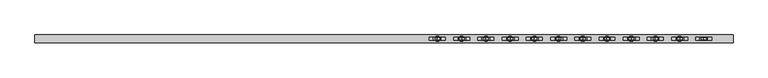
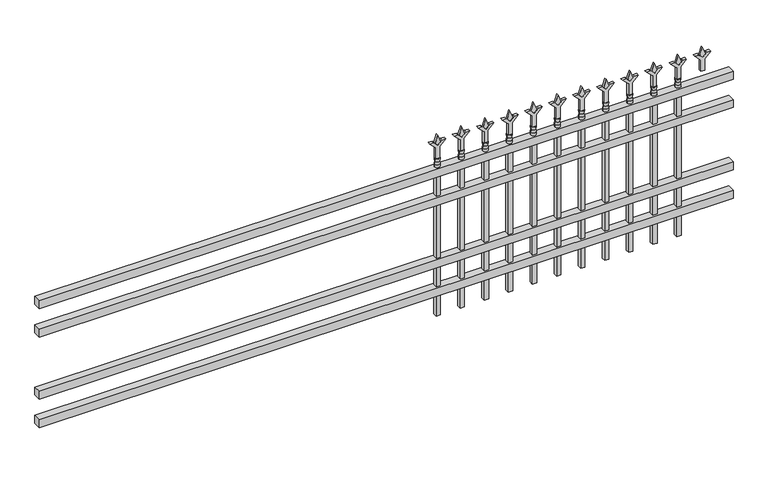
"""IFC4 building model written with IfcOpenShell, lengths in millimetres: railing geometry."""

from ifc_helpers import new_model, si_unit, frame, origin, place, context, project, spatial, polyline, circle_curve, outline, extrude, source, transform, mapped, element, save
from ifc_brep_helpers import plane_surface, cylinder_surface, revolved_surface, advanced_brep


def railing_9d2b773c(model_context):
    return source(origin(), model_context, "Body", "SolidModel", [
        extrude(outline(polyline([(-91799.918087, -9187.1195174), (-91799.918087, -9152.1945174), (-88650.318087, -9152.1945174), (-88650.318087, -9187.1195174), (-91799.918087, -9187.1195174)])), frame((0.0, 0.0, 723.9), z_axis=(0.0, 0.0, 1.0), x_axis=(1.0, 0.0, 0.0)), (0.0, 0.0, 1.0), 38.1),
        extrude(outline(polyline([(-91799.918087, -9187.1195174), (-91799.918087, -9152.1945174), (-88650.318087, -9152.1945174), (-88650.318087, -9187.1195174), (-91799.918087, -9187.1195174)])), frame((0.0, 0.0, 587.375), z_axis=(0.0, 0.0, 1.0), x_axis=(1.0, 0.0, 0.0)), (0.0, 0.0, 1.0), 38.1),
        extrude(outline(polyline([(-91799.918087, -9187.1195174), (-91799.918087, -9152.1945174), (-88650.318087, -9152.1945174), (-88650.318087, -9187.1195174), (-91799.918087, -9187.1195174)])), frame((0.0, 0.0, 288.925), z_axis=(0.0, 0.0, 1.0), x_axis=(1.0, 0.0, 0.0)), (0.0, 0.0, 1.0), 38.1),
        extrude(outline(polyline([(-91799.918087, -9187.1195174), (-91799.918087, -9152.1945174), (-88650.318087, -9152.1945174), (-88650.318087, -9187.1195174), (-91799.918087, -9187.1195174)])), frame((0.0, 0.0, 152.4), z_axis=(0.0, 0.0, 1.0), x_axis=(1.0, 0.0, 0.0)), (0.0, 0.0, 1.0), 38.1),
        extrude(outline(polyline([(878.68125, -88879.4472536), (914.4, -88891.3535036), (878.68125, -88903.2597536), (866.775, -88891.3535036), (878.68125, -88879.4472536)])), frame((0.0, -9174.4195174, 0.0), z_axis=(0.0, 1.0, 0.0), x_axis=(0.0, 0.0, 1.0)), (0.0, 0.0, 1.0), 9.525),
        extrude(outline(polyline([(803.275, -88882.6222536), (857.5457378, -88882.6222536), (884.7355122, -88855.4324791), (884.7355122, -88873.3929914), (866.775, -88891.3535036), (884.7355122, -88909.3140159), (884.7355122, -88927.2745281), (857.5457378, -88900.0847536), (803.275, -88900.0847536), (803.275, -88882.6222536)])), frame((0.0, -9176.0070174, 0.0), z_axis=(0.0, 1.0, 0.0), x_axis=(0.0, 0.0, 1.0)), (0.0, 0.0, 1.0), 12.7),
        advanced_brep(
        [(-88879.4472536, -9169.6570174, 774.7), (-88903.2597536, -9169.6570174, 774.7), (-88903.2597536, -9169.6570174, 762.0), (-88879.4472536, -9169.6570174, 762.0), (-88881.6525855, -9169.6570174, 787.2070585), (-88901.0544218, -9169.6570174, 787.2070585), (-88879.4472536, -9169.6570174, 803.275), (-88903.2597536, -9169.6570174, 803.275), (-88891.3535036, -9169.6570174, 803.275), (-88891.3535036, -9169.6570174, 762.0)],
        [
            (0, 1, circle_curve(frame((-88891.3535036, -9169.6570174, 774.7), z_axis=(0.0, 0.0, -1.0), x_axis=(-1.0, 0.0, 0.0)), 11.90625)),
            (1, 2),
            (2, 3, circle_curve(frame((-88891.3535036, -9169.6570174, 762.0), z_axis=(0.0, 0.0, 1.0), x_axis=(-1.0, 0.0, 0.0)), 11.90625)),
            (3, 0),
            (1, 0, circle_curve(frame((-88891.3535036, -9169.6570174, 774.7), z_axis=(0.0, 0.0, -1.0), x_axis=(-1.0, 0.0, 0.0)), 11.90625)),
            (3, 2, circle_curve(frame((-88891.3535036, -9169.6570174, 762.0), z_axis=(0.0, 0.0, 1.0), x_axis=(-1.0, 0.0, 0.0)), 11.90625)),
            (4, 5, circle_curve(frame((-88891.3535036, -9169.6570174, 787.2070585), z_axis=(0.0, 0.0, -1.0), x_axis=(-1.0, 0.0, 0.0)), 9.7009181)),
            (5, 1),
            (0, 4),
            (5, 4, circle_curve(frame((-88891.3535036, -9169.6570174, 787.2070585), z_axis=(0.0, 0.0, -1.0), x_axis=(-1.0, 0.0, 0.0)), 9.7009181)),
            (6, 7, circle_curve(frame((-88891.3535036, -9169.6570174, 803.275), z_axis=(0.0, 0.0, -1.0), x_axis=(-1.0, 0.0, 0.0)), 11.90625)),
            (7, 5),
            (4, 6),
            (7, 6, circle_curve(frame((-88891.3535036, -9169.6570174, 803.275), z_axis=(0.0, 0.0, -1.0), x_axis=(-1.0, 0.0, 0.0)), 11.90625)),
            (8, 7),
            (6, 8),
            (2, 9),
            (9, 3),
        ],
        [
            cylinder_surface(frame((-88891.3535036, -9169.6570174, 762.0), z_axis=(0.0, 0.0, 1.0), x_axis=(-1.0, 0.0, 0.0)), 11.90625),
            revolved_surface(polyline([(-88903.2597536, -9169.6570174, 774.7), (-88901.0544218, -9169.6570174, 787.2070585)]), (-88891.3535036, -9169.6570174, 762.0), (0.0, 0.0, 1.0)),
            revolved_surface(polyline([(-88901.0544218, -9169.6570174, 787.2070585), (-88903.2597536, -9169.6570174, 803.275)]), (-88891.3535036, -9169.6570174, 762.0), (0.0, 0.0, 1.0)),
            plane_surface(frame((-88891.3535036, -9169.6570174, 803.275), z_axis=(0.0, 0.0, 1.0), x_axis=(-1.0, 0.0, 0.0))),
            plane_surface(frame((-88891.3535036, -9169.6570174, 762.0), z_axis=(0.0, 0.0, -1.0), x_axis=(-1.0, 0.0, 0.0))),
        ],
        [
            (0, [[1, 2, 3, 4]]),
            (0, [[5, -4, 6, -2]]),
            (1, [[7, 8, -1, 9]]),
            (1, [[10, -9, -5, -8]]),
            (2, [[11, 12, -7, 13]]),
            (2, [[14, -13, -10, -12]]),
            (3, [[15, -11, 16]]),
            (3, [[-16, -14, -15]]),
            (4, [[-3, 17, 18]]),
            (4, [[-6, -18, -17]]),
        ],
    ),
        extrude(outline(polyline([(-88900.8785036, -9160.1320174), (-88881.8285036, -9160.1320174), (-88881.8285036, -9179.1820174), (-88900.8785036, -9179.1820174), (-88900.8785036, -9160.1320174)])), frame((0.0, 0.0, 50.8), z_axis=(0.0, 0.0, 1.0), x_axis=(1.0, 0.0, 0.0)), (0.0, 0.0, 1.0), 711.2),
        extrude(outline(polyline([(878.68125, -88988.7201703), (914.4, -89000.6264203), (878.68125, -89012.5326703), (866.775, -89000.6264203), (878.68125, -88988.7201703)])), frame((0.0, -9174.4195174, 0.0), z_axis=(0.0, 1.0, 0.0), x_axis=(0.0, 0.0, 1.0)), (0.0, 0.0, 1.0), 9.525),
        extrude(outline(polyline([(803.275, -88991.8951703), (857.5457378, -88991.8951703), (884.7355122, -88964.7053958), (884.7355122, -88982.6659081), (866.775, -89000.6264203), (884.7355122, -89018.5869325), (884.7355122, -89036.5474448), (857.5457378, -89009.3576703), (803.275, -89009.3576703), (803.275, -88991.8951703)])), frame((0.0, -9176.0070174, 0.0), z_axis=(0.0, 1.0, 0.0), x_axis=(0.0, 0.0, 1.0)), (0.0, 0.0, 1.0), 12.7),
        advanced_brep(
        [(-88988.7201703, -9169.6570174, 774.7), (-89012.5326703, -9169.6570174, 774.7), (-89012.5326703, -9169.6570174, 762.0), (-88988.7201703, -9169.6570174, 762.0), (-88990.9255022, -9169.6570174, 787.2070585), (-89010.3273384, -9169.6570174, 787.2070585), (-88988.7201703, -9169.6570174, 803.275), (-89012.5326703, -9169.6570174, 803.275), (-89000.6264203, -9169.6570174, 803.275), (-89000.6264203, -9169.6570174, 762.0)],
        [
            (0, 1, circle_curve(frame((-89000.6264203, -9169.6570174, 774.7), z_axis=(0.0, 0.0, -1.0), x_axis=(-1.0, 0.0, 0.0)), 11.90625)),
            (1, 2),
            (2, 3, circle_curve(frame((-89000.6264203, -9169.6570174, 762.0), z_axis=(0.0, 0.0, 1.0), x_axis=(-1.0, 0.0, 0.0)), 11.90625)),
            (3, 0),
            (1, 0, circle_curve(frame((-89000.6264203, -9169.6570174, 774.7), z_axis=(0.0, 0.0, -1.0), x_axis=(-1.0, 0.0, 0.0)), 11.90625)),
            (3, 2, circle_curve(frame((-89000.6264203, -9169.6570174, 762.0), z_axis=(0.0, 0.0, 1.0), x_axis=(-1.0, 0.0, 0.0)), 11.90625)),
            (4, 5, circle_curve(frame((-89000.6264203, -9169.6570174, 787.2070585), z_axis=(0.0, 0.0, -1.0), x_axis=(-1.0, 0.0, 0.0)), 9.7009181)),
            (5, 1),
            (0, 4),
            (5, 4, circle_curve(frame((-89000.6264203, -9169.6570174, 787.2070585), z_axis=(0.0, 0.0, -1.0), x_axis=(-1.0, 0.0, 0.0)), 9.7009181)),
            (6, 7, circle_curve(frame((-89000.6264203, -9169.6570174, 803.275), z_axis=(0.0, 0.0, -1.0), x_axis=(-1.0, 0.0, 0.0)), 11.90625)),
            (7, 5),
            (4, 6),
            (7, 6, circle_curve(frame((-89000.6264203, -9169.6570174, 803.275), z_axis=(0.0, 0.0, -1.0), x_axis=(-1.0, 0.0, 0.0)), 11.90625)),
            (8, 7),
            (6, 8),
            (2, 9),
            (9, 3),
        ],
        [
            cylinder_surface(frame((-89000.6264203, -9169.6570174, 762.0), z_axis=(0.0, 0.0, 1.0), x_axis=(-1.0, 0.0, 0.0)), 11.90625),
            revolved_surface(polyline([(-89012.5326703, -9169.6570174, 774.7), (-89010.3273384, -9169.6570174, 787.2070585)]), (-89000.6264203, -9169.6570174, 762.0), (0.0, 0.0, 1.0)),
            revolved_surface(polyline([(-89010.3273384, -9169.6570174, 787.2070585), (-89012.5326703, -9169.6570174, 803.275)]), (-89000.6264203, -9169.6570174, 762.0), (0.0, 0.0, 1.0)),
            plane_surface(frame((-89000.6264203, -9169.6570174, 803.275), z_axis=(0.0, 0.0, 1.0), x_axis=(-1.0, 0.0, 0.0))),
            plane_surface(frame((-89000.6264203, -9169.6570174, 762.0), z_axis=(0.0, 0.0, -1.0), x_axis=(-1.0, 0.0, 0.0))),
        ],
        [
            (0, [[1, 2, 3, 4]]),
            (0, [[5, -4, 6, -2]]),
            (1, [[7, 8, -1, 9]]),
            (1, [[10, -9, -5, -8]]),
            (2, [[11, 12, -7, 13]]),
            (2, [[14, -13, -10, -12]]),
            (3, [[15, -11, 16]]),
            (3, [[-16, -14, -15]]),
            (4, [[-3, 17, 18]]),
            (4, [[-6, -18, -17]]),
        ],
    ),
        extrude(outline(polyline([(-89010.1514203, -9160.1320174), (-88991.1014203, -9160.1320174), (-88991.1014203, -9179.1820174), (-89010.1514203, -9179.1820174), (-89010.1514203, -9160.1320174)])), frame((0.0, 0.0, 50.8), z_axis=(0.0, 0.0, 1.0), x_axis=(1.0, 0.0, 0.0)), (0.0, 0.0, 1.0), 711.2),
        extrude(outline(polyline([(878.68125, -89097.993087), (914.4, -89109.899337), (878.68125, -89121.805587), (866.775, -89109.899337), (878.68125, -89097.993087)])), frame((0.0, -9174.4195174, 0.0), z_axis=(0.0, 1.0, 0.0), x_axis=(0.0, 0.0, 1.0)), (0.0, 0.0, 1.0), 9.525),
        extrude(outline(polyline([(803.275, -89101.168087), (857.5457378, -89101.168087), (884.7355122, -89073.9783125), (884.7355122, -89091.9388247), (866.775, -89109.899337), (884.7355122, -89127.8598492), (884.7355122, -89145.8203614), (857.5457378, -89118.630587), (803.275, -89118.630587), (803.275, -89101.168087)])), frame((0.0, -9176.0070174, 0.0), z_axis=(0.0, 1.0, 0.0), x_axis=(0.0, 0.0, 1.0)), (0.0, 0.0, 1.0), 12.7),
        advanced_brep(
        [(-89097.993087, -9169.6570174, 774.7), (-89121.805587, -9169.6570174, 774.7), (-89121.805587, -9169.6570174, 762.0), (-89097.993087, -9169.6570174, 762.0), (-89100.1984188, -9169.6570174, 787.2070585), (-89119.6002551, -9169.6570174, 787.2070585), (-89097.993087, -9169.6570174, 803.275), (-89121.805587, -9169.6570174, 803.275), (-89109.899337, -9169.6570174, 803.275), (-89109.899337, -9169.6570174, 762.0)],
        [
            (0, 1, circle_curve(frame((-89109.899337, -9169.6570174, 774.7), z_axis=(0.0, 0.0, -1.0), x_axis=(-1.0, 0.0, 0.0)), 11.90625)),
            (1, 2),
            (2, 3, circle_curve(frame((-89109.899337, -9169.6570174, 762.0), z_axis=(0.0, 0.0, 1.0), x_axis=(-1.0, 0.0, 0.0)), 11.90625)),
            (3, 0),
            (1, 0, circle_curve(frame((-89109.899337, -9169.6570174, 774.7), z_axis=(0.0, 0.0, -1.0), x_axis=(-1.0, 0.0, 0.0)), 11.90625)),
            (3, 2, circle_curve(frame((-89109.899337, -9169.6570174, 762.0), z_axis=(0.0, 0.0, 1.0), x_axis=(-1.0, 0.0, 0.0)), 11.90625)),
            (4, 5, circle_curve(frame((-89109.899337, -9169.6570174, 787.2070585), z_axis=(0.0, 0.0, -1.0), x_axis=(-1.0, 0.0, 0.0)), 9.7009181)),
            (5, 1),
            (0, 4),
            (5, 4, circle_curve(frame((-89109.899337, -9169.6570174, 787.2070585), z_axis=(0.0, 0.0, -1.0), x_axis=(-1.0, 0.0, 0.0)), 9.7009181)),
            (6, 7, circle_curve(frame((-89109.899337, -9169.6570174, 803.275), z_axis=(0.0, 0.0, -1.0), x_axis=(-1.0, 0.0, 0.0)), 11.90625)),
            (7, 5),
            (4, 6),
            (7, 6, circle_curve(frame((-89109.899337, -9169.6570174, 803.275), z_axis=(0.0, 0.0, -1.0), x_axis=(-1.0, 0.0, 0.0)), 11.90625)),
            (8, 7),
            (6, 8),
            (2, 9),
            (9, 3),
        ],
        [
            cylinder_surface(frame((-89109.899337, -9169.6570174, 762.0), z_axis=(0.0, 0.0, 1.0), x_axis=(-1.0, 0.0, 0.0)), 11.90625),
            revolved_surface(polyline([(-89121.805587, -9169.6570174, 774.7), (-89119.6002551, -9169.6570174, 787.2070585)]), (-89109.899337, -9169.6570174, 762.0), (0.0, 0.0, 1.0)),
            revolved_surface(polyline([(-89119.6002551, -9169.6570174, 787.2070585), (-89121.805587, -9169.6570174, 803.275)]), (-89109.899337, -9169.6570174, 762.0), (0.0, 0.0, 1.0)),
            plane_surface(frame((-89109.899337, -9169.6570174, 803.275), z_axis=(0.0, 0.0, 1.0), x_axis=(-1.0, 0.0, 0.0))),
            plane_surface(frame((-89109.899337, -9169.6570174, 762.0), z_axis=(0.0, 0.0, -1.0), x_axis=(-1.0, 0.0, 0.0))),
        ],
        [
            (0, [[1, 2, 3, 4]]),
            (0, [[5, -4, 6, -2]]),
            (1, [[7, 8, -1, 9]]),
            (1, [[10, -9, -5, -8]]),
            (2, [[11, 12, -7, 13]]),
            (2, [[14, -13, -10, -12]]),
            (3, [[15, -11, 16]]),
            (3, [[-16, -14, -15]]),
            (4, [[-3, 17, 18]]),
            (4, [[-6, -18, -17]]),
        ],
    ),
        extrude(outline(polyline([(-89119.424337, -9160.1320174), (-89100.374337, -9160.1320174), (-89100.374337, -9179.1820174), (-89119.424337, -9179.1820174), (-89119.424337, -9160.1320174)])), frame((0.0, 0.0, 50.8), z_axis=(0.0, 0.0, 1.0), x_axis=(1.0, 0.0, 0.0)), (0.0, 0.0, 1.0), 711.2),
        extrude(outline(polyline([(878.68125, -89207.2660036), (914.4, -89219.1722536), (878.68125, -89231.0785036), (866.775, -89219.1722536), (878.68125, -89207.2660036)])), frame((0.0, -9174.4195174, 0.0), z_axis=(0.0, 1.0, 0.0), x_axis=(0.0, 0.0, 1.0)), (0.0, 0.0, 1.0), 9.525),
        extrude(outline(polyline([(803.275, -89210.4410036), (857.5457378, -89210.4410036), (884.7355122, -89183.2512291), (884.7355122, -89201.2117414), (866.775, -89219.1722536), (884.7355122, -89237.1327659), (884.7355122, -89255.0932781), (857.5457378, -89227.9035036), (803.275, -89227.9035036), (803.275, -89210.4410036)])), frame((0.0, -9176.0070174, 0.0), z_axis=(0.0, 1.0, 0.0), x_axis=(0.0, 0.0, 1.0)), (0.0, 0.0, 1.0), 12.7),
        advanced_brep(
        [(-89207.2660036, -9169.6570174, 774.7), (-89231.0785036, -9169.6570174, 774.7), (-89231.0785036, -9169.6570174, 762.0), (-89207.2660036, -9169.6570174, 762.0), (-89209.4713355, -9169.6570174, 787.2070585), (-89228.8731718, -9169.6570174, 787.2070585), (-89207.2660036, -9169.6570174, 803.275), (-89231.0785036, -9169.6570174, 803.275), (-89219.1722536, -9169.6570174, 803.275), (-89219.1722536, -9169.6570174, 762.0)],
        [
            (0, 1, circle_curve(frame((-89219.1722536, -9169.6570174, 774.7), z_axis=(0.0, 0.0, -1.0), x_axis=(-1.0, 0.0, 0.0)), 11.90625)),
            (1, 2),
            (2, 3, circle_curve(frame((-89219.1722536, -9169.6570174, 762.0), z_axis=(0.0, 0.0, 1.0), x_axis=(-1.0, 0.0, 0.0)), 11.90625)),
            (3, 0),
            (1, 0, circle_curve(frame((-89219.1722536, -9169.6570174, 774.7), z_axis=(0.0, 0.0, -1.0), x_axis=(-1.0, 0.0, 0.0)), 11.90625)),
            (3, 2, circle_curve(frame((-89219.1722536, -9169.6570174, 762.0), z_axis=(0.0, 0.0, 1.0), x_axis=(-1.0, 0.0, 0.0)), 11.90625)),
            (4, 5, circle_curve(frame((-89219.1722536, -9169.6570174, 787.2070585), z_axis=(0.0, 0.0, -1.0), x_axis=(-1.0, 0.0, 0.0)), 9.7009181)),
            (5, 1),
            (0, 4),
            (5, 4, circle_curve(frame((-89219.1722536, -9169.6570174, 787.2070585), z_axis=(0.0, 0.0, -1.0), x_axis=(-1.0, 0.0, 0.0)), 9.7009181)),
            (6, 7, circle_curve(frame((-89219.1722536, -9169.6570174, 803.275), z_axis=(0.0, 0.0, -1.0), x_axis=(-1.0, 0.0, 0.0)), 11.90625)),
            (7, 5),
            (4, 6),
            (7, 6, circle_curve(frame((-89219.1722536, -9169.6570174, 803.275), z_axis=(0.0, 0.0, -1.0), x_axis=(-1.0, 0.0, 0.0)), 11.90625)),
            (8, 7),
            (6, 8),
            (2, 9),
            (9, 3),
        ],
        [
            cylinder_surface(frame((-89219.1722536, -9169.6570174, 762.0), z_axis=(0.0, 0.0, 1.0), x_axis=(-1.0, 0.0, 0.0)), 11.90625),
            revolved_surface(polyline([(-89231.0785036, -9169.6570174, 774.7), (-89228.8731718, -9169.6570174, 787.2070585)]), (-89219.1722536, -9169.6570174, 762.0), (0.0, 0.0, 1.0)),
            revolved_surface(polyline([(-89228.8731718, -9169.6570174, 787.2070585), (-89231.0785036, -9169.6570174, 803.275)]), (-89219.1722536, -9169.6570174, 762.0), (0.0, 0.0, 1.0)),
            plane_surface(frame((-89219.1722536, -9169.6570174, 803.275), z_axis=(0.0, 0.0, 1.0), x_axis=(-1.0, 0.0, 0.0))),
            plane_surface(frame((-89219.1722536, -9169.6570174, 762.0), z_axis=(0.0, 0.0, -1.0), x_axis=(-1.0, 0.0, 0.0))),
        ],
        [
            (0, [[1, 2, 3, 4]]),
            (0, [[5, -4, 6, -2]]),
            (1, [[7, 8, -1, 9]]),
            (1, [[10, -9, -5, -8]]),
            (2, [[11, 12, -7, 13]]),
            (2, [[14, -13, -10, -12]]),
            (3, [[15, -11, 16]]),
            (3, [[-16, -14, -15]]),
            (4, [[-3, 17, 18]]),
            (4, [[-6, -18, -17]]),
        ],
    ),
        extrude(outline(polyline([(-89228.6972536, -9160.1320174), (-89209.6472536, -9160.1320174), (-89209.6472536, -9179.1820174), (-89228.6972536, -9179.1820174), (-89228.6972536, -9160.1320174)])), frame((0.0, 0.0, 50.8), z_axis=(0.0, 0.0, 1.0), x_axis=(1.0, 0.0, 0.0)), (0.0, 0.0, 1.0), 711.2),
        extrude(outline(polyline([(878.68125, -89316.5389203), (914.4, -89328.4451703), (878.68125, -89340.3514203), (866.775, -89328.4451703), (878.68125, -89316.5389203)])), frame((0.0, -9174.4195174, 0.0), z_axis=(0.0, 1.0, 0.0), x_axis=(0.0, 0.0, 1.0)), (0.0, 0.0, 1.0), 9.525),
        extrude(outline(polyline([(803.275, -89319.7139203), (857.5457378, -89319.7139203), (884.7355122, -89292.5241458), (884.7355122, -89310.4846581), (866.775, -89328.4451703), (884.7355122, -89346.4056825), (884.7355122, -89364.3661948), (857.5457378, -89337.1764203), (803.275, -89337.1764203), (803.275, -89319.7139203)])), frame((0.0, -9176.0070174, 0.0), z_axis=(0.0, 1.0, 0.0), x_axis=(0.0, 0.0, 1.0)), (0.0, 0.0, 1.0), 12.7),
        advanced_brep(
        [(-89316.5389203, -9169.6570174, 774.7), (-89340.3514203, -9169.6570174, 774.7), (-89340.3514203, -9169.6570174, 762.0), (-89316.5389203, -9169.6570174, 762.0), (-89318.7442522, -9169.6570174, 787.2070585), (-89338.1460884, -9169.6570174, 787.2070585), (-89316.5389203, -9169.6570174, 803.275), (-89340.3514203, -9169.6570174, 803.275), (-89328.4451703, -9169.6570174, 803.275), (-89328.4451703, -9169.6570174, 762.0)],
        [
            (0, 1, circle_curve(frame((-89328.4451703, -9169.6570174, 774.7), z_axis=(0.0, 0.0, -1.0), x_axis=(-1.0, 0.0, 0.0)), 11.90625)),
            (1, 2),
            (2, 3, circle_curve(frame((-89328.4451703, -9169.6570174, 762.0), z_axis=(0.0, 0.0, 1.0), x_axis=(-1.0, 0.0, 0.0)), 11.90625)),
            (3, 0),
            (1, 0, circle_curve(frame((-89328.4451703, -9169.6570174, 774.7), z_axis=(0.0, 0.0, -1.0), x_axis=(-1.0, 0.0, 0.0)), 11.90625)),
            (3, 2, circle_curve(frame((-89328.4451703, -9169.6570174, 762.0), z_axis=(0.0, 0.0, 1.0), x_axis=(-1.0, 0.0, 0.0)), 11.90625)),
            (4, 5, circle_curve(frame((-89328.4451703, -9169.6570174, 787.2070585), z_axis=(0.0, 0.0, -1.0), x_axis=(-1.0, 0.0, 0.0)), 9.7009181)),
            (5, 1),
            (0, 4),
            (5, 4, circle_curve(frame((-89328.4451703, -9169.6570174, 787.2070585), z_axis=(0.0, 0.0, -1.0), x_axis=(-1.0, 0.0, 0.0)), 9.7009181)),
            (6, 7, circle_curve(frame((-89328.4451703, -9169.6570174, 803.275), z_axis=(0.0, 0.0, -1.0), x_axis=(-1.0, 0.0, 0.0)), 11.90625)),
            (7, 5),
            (4, 6),
            (7, 6, circle_curve(frame((-89328.4451703, -9169.6570174, 803.275), z_axis=(0.0, 0.0, -1.0), x_axis=(-1.0, 0.0, 0.0)), 11.90625)),
            (8, 7),
            (6, 8),
            (2, 9),
            (9, 3),
        ],
        [
            cylinder_surface(frame((-89328.4451703, -9169.6570174, 762.0), z_axis=(0.0, 0.0, 1.0), x_axis=(-1.0, 0.0, 0.0)), 11.90625),
            revolved_surface(polyline([(-89340.3514203, -9169.6570174, 774.7), (-89338.1460884, -9169.6570174, 787.2070585)]), (-89328.4451703, -9169.6570174, 762.0), (0.0, 0.0, 1.0)),
            revolved_surface(polyline([(-89338.1460884, -9169.6570174, 787.2070585), (-89340.3514203, -9169.6570174, 803.275)]), (-89328.4451703, -9169.6570174, 762.0), (0.0, 0.0, 1.0)),
            plane_surface(frame((-89328.4451703, -9169.6570174, 803.275), z_axis=(0.0, 0.0, 1.0), x_axis=(-1.0, 0.0, 0.0))),
            plane_surface(frame((-89328.4451703, -9169.6570174, 762.0), z_axis=(0.0, 0.0, -1.0), x_axis=(-1.0, 0.0, 0.0))),
        ],
        [
            (0, [[1, 2, 3, 4]]),
            (0, [[5, -4, 6, -2]]),
            (1, [[7, 8, -1, 9]]),
            (1, [[10, -9, -5, -8]]),
            (2, [[11, 12, -7, 13]]),
            (2, [[14, -13, -10, -12]]),
            (3, [[15, -11, 16]]),
            (3, [[-16, -14, -15]]),
            (4, [[-3, 17, 18]]),
            (4, [[-6, -18, -17]]),
        ],
    ),
        extrude(outline(polyline([(-89337.9701703, -9160.1320174), (-89318.9201703, -9160.1320174), (-89318.9201703, -9179.1820174), (-89337.9701703, -9179.1820174), (-89337.9701703, -9160.1320174)])), frame((0.0, 0.0, 50.8), z_axis=(0.0, 0.0, 1.0), x_axis=(1.0, 0.0, 0.0)), (0.0, 0.0, 1.0), 711.2),
        extrude(outline(polyline([(878.68125, -89425.811837), (914.4, -89437.718087), (878.68125, -89449.624337), (866.775, -89437.718087), (878.68125, -89425.811837)])), frame((0.0, -9174.4195174, 0.0), z_axis=(0.0, 1.0, 0.0), x_axis=(0.0, 0.0, 1.0)), (0.0, 0.0, 1.0), 9.525),
        extrude(outline(polyline([(803.275, -89428.986837), (857.5457378, -89428.986837), (884.7355122, -89401.7970625), (884.7355122, -89419.7575747), (866.775, -89437.718087), (884.7355122, -89455.6785992), (884.7355122, -89473.6391114), (857.5457378, -89446.449337), (803.275, -89446.449337), (803.275, -89428.986837)])), frame((0.0, -9176.0070174, 0.0), z_axis=(0.0, 1.0, 0.0), x_axis=(0.0, 0.0, 1.0)), (0.0, 0.0, 1.0), 12.7),
        advanced_brep(
        [(-89425.811837, -9169.6570174, 774.7), (-89449.624337, -9169.6570174, 774.7), (-89449.624337, -9169.6570174, 762.0), (-89425.811837, -9169.6570174, 762.0), (-89428.0171688, -9169.6570174, 787.2070585), (-89447.4190051, -9169.6570174, 787.2070585), (-89425.811837, -9169.6570174, 803.275), (-89449.624337, -9169.6570174, 803.275), (-89437.718087, -9169.6570174, 803.275), (-89437.718087, -9169.6570174, 762.0)],
        [
            (0, 1, circle_curve(frame((-89437.718087, -9169.6570174, 774.7), z_axis=(0.0, 0.0, -1.0), x_axis=(-1.0, 0.0, 0.0)), 11.90625)),
            (1, 2),
            (2, 3, circle_curve(frame((-89437.718087, -9169.6570174, 762.0), z_axis=(0.0, 0.0, 1.0), x_axis=(-1.0, 0.0, 0.0)), 11.90625)),
            (3, 0),
            (1, 0, circle_curve(frame((-89437.718087, -9169.6570174, 774.7), z_axis=(0.0, 0.0, -1.0), x_axis=(-1.0, 0.0, 0.0)), 11.90625)),
            (3, 2, circle_curve(frame((-89437.718087, -9169.6570174, 762.0), z_axis=(0.0, 0.0, 1.0), x_axis=(-1.0, 0.0, 0.0)), 11.90625)),
            (4, 5, circle_curve(frame((-89437.718087, -9169.6570174, 787.2070585), z_axis=(0.0, 0.0, -1.0), x_axis=(-1.0, 0.0, 0.0)), 9.7009181)),
            (5, 1),
            (0, 4),
            (5, 4, circle_curve(frame((-89437.718087, -9169.6570174, 787.2070585), z_axis=(0.0, 0.0, -1.0), x_axis=(-1.0, 0.0, 0.0)), 9.7009181)),
            (6, 7, circle_curve(frame((-89437.718087, -9169.6570174, 803.275), z_axis=(0.0, 0.0, -1.0), x_axis=(-1.0, 0.0, 0.0)), 11.90625)),
            (7, 5),
            (4, 6),
            (7, 6, circle_curve(frame((-89437.718087, -9169.6570174, 803.275), z_axis=(0.0, 0.0, -1.0), x_axis=(-1.0, 0.0, 0.0)), 11.90625)),
            (8, 7),
            (6, 8),
            (2, 9),
            (9, 3),
        ],
        [
            cylinder_surface(frame((-89437.718087, -9169.6570174, 762.0), z_axis=(0.0, 0.0, 1.0), x_axis=(-1.0, 0.0, 0.0)), 11.90625),
            revolved_surface(polyline([(-89449.624337, -9169.6570174, 774.7), (-89447.4190051, -9169.6570174, 787.2070585)]), (-89437.718087, -9169.6570174, 762.0), (0.0, 0.0, 1.0)),
            revolved_surface(polyline([(-89447.4190051, -9169.6570174, 787.2070585), (-89449.624337, -9169.6570174, 803.275)]), (-89437.718087, -9169.6570174, 762.0), (0.0, 0.0, 1.0)),
            plane_surface(frame((-89437.718087, -9169.6570174, 803.275), z_axis=(0.0, 0.0, 1.0), x_axis=(-1.0, 0.0, 0.0))),
            plane_surface(frame((-89437.718087, -9169.6570174, 762.0), z_axis=(0.0, 0.0, -1.0), x_axis=(-1.0, 0.0, 0.0))),
        ],
        [
            (0, [[1, 2, 3, 4]]),
            (0, [[5, -4, 6, -2]]),
            (1, [[7, 8, -1, 9]]),
            (1, [[10, -9, -5, -8]]),
            (2, [[11, 12, -7, 13]]),
            (2, [[14, -13, -10, -12]]),
            (3, [[15, -11, 16]]),
            (3, [[-16, -14, -15]]),
            (4, [[-3, 17, 18]]),
            (4, [[-6, -18, -17]]),
        ],
    ),
        extrude(outline(polyline([(-89447.243087, -9160.1320174), (-89428.193087, -9160.1320174), (-89428.193087, -9179.1820174), (-89447.243087, -9179.1820174), (-89447.243087, -9160.1320174)])), frame((0.0, 0.0, 50.8), z_axis=(0.0, 0.0, 1.0), x_axis=(1.0, 0.0, 0.0)), (0.0, 0.0, 1.0), 711.2),
        extrude(outline(polyline([(878.68125, -89535.0847536), (914.4, -89546.9910036), (878.68125, -89558.8972536), (866.775, -89546.9910036), (878.68125, -89535.0847536)])), frame((0.0, -9174.4195174, 0.0), z_axis=(0.0, 1.0, 0.0), x_axis=(0.0, 0.0, 1.0)), (0.0, 0.0, 1.0), 9.525),
        extrude(outline(polyline([(803.275, -89538.2597536), (857.5457378, -89538.2597536), (884.7355122, -89511.0699791), (884.7355122, -89529.0304914), (866.775, -89546.9910036), (884.7355122, -89564.9515159), (884.7355122, -89582.9120281), (857.5457378, -89555.7222536), (803.275, -89555.7222536), (803.275, -89538.2597536)])), frame((0.0, -9176.0070174, 0.0), z_axis=(0.0, 1.0, 0.0), x_axis=(0.0, 0.0, 1.0)), (0.0, 0.0, 1.0), 12.7),
        advanced_brep(
        [(-89535.0847536, -9169.6570174, 774.7), (-89558.8972536, -9169.6570174, 774.7), (-89558.8972536, -9169.6570174, 762.0), (-89535.0847536, -9169.6570174, 762.0), (-89537.2900855, -9169.6570174, 787.2070585), (-89556.6919218, -9169.6570174, 787.2070585), (-89535.0847536, -9169.6570174, 803.275), (-89558.8972536, -9169.6570174, 803.275), (-89546.9910036, -9169.6570174, 803.275), (-89546.9910036, -9169.6570174, 762.0)],
        [
            (0, 1, circle_curve(frame((-89546.9910036, -9169.6570174, 774.7), z_axis=(0.0, 0.0, -1.0), x_axis=(-1.0, 0.0, 0.0)), 11.90625)),
            (1, 2),
            (2, 3, circle_curve(frame((-89546.9910036, -9169.6570174, 762.0), z_axis=(0.0, 0.0, 1.0), x_axis=(-1.0, 0.0, 0.0)), 11.90625)),
            (3, 0),
            (1, 0, circle_curve(frame((-89546.9910036, -9169.6570174, 774.7), z_axis=(0.0, 0.0, -1.0), x_axis=(-1.0, 0.0, 0.0)), 11.90625)),
            (3, 2, circle_curve(frame((-89546.9910036, -9169.6570174, 762.0), z_axis=(0.0, 0.0, 1.0), x_axis=(-1.0, 0.0, 0.0)), 11.90625)),
            (4, 5, circle_curve(frame((-89546.9910036, -9169.6570174, 787.2070585), z_axis=(0.0, 0.0, -1.0), x_axis=(-1.0, 0.0, 0.0)), 9.7009181)),
            (5, 1),
            (0, 4),
            (5, 4, circle_curve(frame((-89546.9910036, -9169.6570174, 787.2070585), z_axis=(0.0, 0.0, -1.0), x_axis=(-1.0, 0.0, 0.0)), 9.7009181)),
            (6, 7, circle_curve(frame((-89546.9910036, -9169.6570174, 803.275), z_axis=(0.0, 0.0, -1.0), x_axis=(-1.0, 0.0, 0.0)), 11.90625)),
            (7, 5),
            (4, 6),
            (7, 6, circle_curve(frame((-89546.9910036, -9169.6570174, 803.275), z_axis=(0.0, 0.0, -1.0), x_axis=(-1.0, 0.0, 0.0)), 11.90625)),
            (8, 7),
            (6, 8),
            (2, 9),
            (9, 3),
        ],
        [
            cylinder_surface(frame((-89546.9910036, -9169.6570174, 762.0), z_axis=(0.0, 0.0, 1.0), x_axis=(-1.0, 0.0, 0.0)), 11.90625),
            revolved_surface(polyline([(-89558.8972536, -9169.6570174, 774.7), (-89556.6919218, -9169.6570174, 787.2070585)]), (-89546.9910036, -9169.6570174, 762.0), (0.0, 0.0, 1.0)),
            revolved_surface(polyline([(-89556.6919218, -9169.6570174, 787.2070585), (-89558.8972536, -9169.6570174, 803.275)]), (-89546.9910036, -9169.6570174, 762.0), (0.0, 0.0, 1.0)),
            plane_surface(frame((-89546.9910036, -9169.6570174, 803.275), z_axis=(0.0, 0.0, 1.0), x_axis=(-1.0, 0.0, 0.0))),
            plane_surface(frame((-89546.9910036, -9169.6570174, 762.0), z_axis=(0.0, 0.0, -1.0), x_axis=(-1.0, 0.0, 0.0))),
        ],
        [
            (0, [[1, 2, 3, 4]]),
            (0, [[5, -4, 6, -2]]),
            (1, [[7, 8, -1, 9]]),
            (1, [[10, -9, -5, -8]]),
            (2, [[11, 12, -7, 13]]),
            (2, [[14, -13, -10, -12]]),
            (3, [[15, -11, 16]]),
            (3, [[-16, -14, -15]]),
            (4, [[-3, 17, 18]]),
            (4, [[-6, -18, -17]]),
        ],
    ),
        extrude(outline(polyline([(-89556.5160036, -9160.1320174), (-89537.4660036, -9160.1320174), (-89537.4660036, -9179.1820174), (-89556.5160036, -9179.1820174), (-89556.5160036, -9160.1320174)])), frame((0.0, 0.0, 50.8), z_axis=(0.0, 0.0, 1.0), x_axis=(1.0, 0.0, 0.0)), (0.0, 0.0, 1.0), 711.2),
        extrude(outline(polyline([(878.68125, -89644.3576703), (914.4, -89656.2639203), (878.68125, -89668.1701703), (866.775, -89656.2639203), (878.68125, -89644.3576703)])), frame((0.0, -9174.4195174, 0.0), z_axis=(0.0, 1.0, 0.0), x_axis=(0.0, 0.0, 1.0)), (0.0, 0.0, 1.0), 9.525),
        extrude(outline(polyline([(803.275, -89647.5326703), (857.5457378, -89647.5326703), (884.7355122, -89620.3428958), (884.7355122, -89638.3034081), (866.775, -89656.2639203), (884.7355122, -89674.2244325), (884.7355122, -89692.1849448), (857.5457378, -89664.9951703), (803.275, -89664.9951703), (803.275, -89647.5326703)])), frame((0.0, -9176.0070174, 0.0), z_axis=(0.0, 1.0, 0.0), x_axis=(0.0, 0.0, 1.0)), (0.0, 0.0, 1.0), 12.7),
        advanced_brep(
        [(-89644.3576703, -9169.6570174, 774.7), (-89668.1701703, -9169.6570174, 774.7), (-89668.1701703, -9169.6570174, 762.0), (-89644.3576703, -9169.6570174, 762.0), (-89646.5630022, -9169.6570174, 787.2070585), (-89665.9648384, -9169.6570174, 787.2070585), (-89644.3576703, -9169.6570174, 803.275), (-89668.1701703, -9169.6570174, 803.275), (-89656.2639203, -9169.6570174, 803.275), (-89656.2639203, -9169.6570174, 762.0)],
        [
            (0, 1, circle_curve(frame((-89656.2639203, -9169.6570174, 774.7), z_axis=(0.0, 0.0, -1.0), x_axis=(-1.0, 0.0, 0.0)), 11.90625)),
            (1, 2),
            (2, 3, circle_curve(frame((-89656.2639203, -9169.6570174, 762.0), z_axis=(0.0, 0.0, 1.0), x_axis=(-1.0, 0.0, 0.0)), 11.90625)),
            (3, 0),
            (1, 0, circle_curve(frame((-89656.2639203, -9169.6570174, 774.7), z_axis=(0.0, 0.0, -1.0), x_axis=(-1.0, 0.0, 0.0)), 11.90625)),
            (3, 2, circle_curve(frame((-89656.2639203, -9169.6570174, 762.0), z_axis=(0.0, 0.0, 1.0), x_axis=(-1.0, 0.0, 0.0)), 11.90625)),
            (4, 5, circle_curve(frame((-89656.2639203, -9169.6570174, 787.2070585), z_axis=(0.0, 0.0, -1.0), x_axis=(-1.0, 0.0, 0.0)), 9.7009181)),
            (5, 1),
            (0, 4),
            (5, 4, circle_curve(frame((-89656.2639203, -9169.6570174, 787.2070585), z_axis=(0.0, 0.0, -1.0), x_axis=(-1.0, 0.0, 0.0)), 9.7009181)),
            (6, 7, circle_curve(frame((-89656.2639203, -9169.6570174, 803.275), z_axis=(0.0, 0.0, -1.0), x_axis=(-1.0, 0.0, 0.0)), 11.90625)),
            (7, 5),
            (4, 6),
            (7, 6, circle_curve(frame((-89656.2639203, -9169.6570174, 803.275), z_axis=(0.0, 0.0, -1.0), x_axis=(-1.0, 0.0, 0.0)), 11.90625)),
            (8, 7),
            (6, 8),
            (2, 9),
            (9, 3),
        ],
        [
            cylinder_surface(frame((-89656.2639203, -9169.6570174, 762.0), z_axis=(0.0, 0.0, 1.0), x_axis=(-1.0, 0.0, 0.0)), 11.90625),
            revolved_surface(polyline([(-89668.1701703, -9169.6570174, 774.7), (-89665.9648384, -9169.6570174, 787.2070585)]), (-89656.2639203, -9169.6570174, 762.0), (0.0, 0.0, 1.0)),
            revolved_surface(polyline([(-89665.9648384, -9169.6570174, 787.2070585), (-89668.1701703, -9169.6570174, 803.275)]), (-89656.2639203, -9169.6570174, 762.0), (0.0, 0.0, 1.0)),
            plane_surface(frame((-89656.2639203, -9169.6570174, 803.275), z_axis=(0.0, 0.0, 1.0), x_axis=(-1.0, 0.0, 0.0))),
            plane_surface(frame((-89656.2639203, -9169.6570174, 762.0), z_axis=(0.0, 0.0, -1.0), x_axis=(-1.0, 0.0, 0.0))),
        ],
        [
            (0, [[1, 2, 3, 4]]),
            (0, [[5, -4, 6, -2]]),
            (1, [[7, 8, -1, 9]]),
            (1, [[10, -9, -5, -8]]),
            (2, [[11, 12, -7, 13]]),
            (2, [[14, -13, -10, -12]]),
            (3, [[15, -11, 16]]),
            (3, [[-16, -14, -15]]),
            (4, [[-3, 17, 18]]),
            (4, [[-6, -18, -17]]),
        ],
    ),
        extrude(outline(polyline([(-89665.7889203, -9160.1320174), (-89646.7389203, -9160.1320174), (-89646.7389203, -9179.1820174), (-89665.7889203, -9179.1820174), (-89665.7889203, -9160.1320174)])), frame((0.0, 0.0, 50.8), z_axis=(0.0, 0.0, 1.0), x_axis=(1.0, 0.0, 0.0)), (0.0, 0.0, 1.0), 711.2),
        extrude(outline(polyline([(878.68125, -89753.630587), (914.4, -89765.536837), (878.68125, -89777.443087), (866.775, -89765.536837), (878.68125, -89753.630587)])), frame((0.0, -9174.4195174, 0.0), z_axis=(0.0, 1.0, 0.0), x_axis=(0.0, 0.0, 1.0)), (0.0, 0.0, 1.0), 9.525),
        extrude(outline(polyline([(803.275, -89756.805587), (857.5457378, -89756.805587), (884.7355122, -89729.6158125), (884.7355122, -89747.5763247), (866.775, -89765.536837), (884.7355122, -89783.4973492), (884.7355122, -89801.4578614), (857.5457378, -89774.268087), (803.275, -89774.268087), (803.275, -89756.805587)])), frame((0.0, -9176.0070174, 0.0), z_axis=(0.0, 1.0, 0.0), x_axis=(0.0, 0.0, 1.0)), (0.0, 0.0, 1.0), 12.7),
        advanced_brep(
        [(-89753.630587, -9169.6570174, 774.7), (-89777.443087, -9169.6570174, 774.7), (-89777.443087, -9169.6570174, 762.0), (-89753.630587, -9169.6570174, 762.0), (-89755.8359188, -9169.6570174, 787.2070585), (-89775.2377551, -9169.6570174, 787.2070585), (-89753.630587, -9169.6570174, 803.275), (-89777.443087, -9169.6570174, 803.275), (-89765.536837, -9169.6570174, 803.275), (-89765.536837, -9169.6570174, 762.0)],
        [
            (0, 1, circle_curve(frame((-89765.536837, -9169.6570174, 774.7), z_axis=(0.0, 0.0, -1.0), x_axis=(-1.0, 0.0, 0.0)), 11.90625)),
            (1, 2),
            (2, 3, circle_curve(frame((-89765.536837, -9169.6570174, 762.0), z_axis=(0.0, 0.0, 1.0), x_axis=(-1.0, 0.0, 0.0)), 11.90625)),
            (3, 0),
            (1, 0, circle_curve(frame((-89765.536837, -9169.6570174, 774.7), z_axis=(0.0, 0.0, -1.0), x_axis=(-1.0, 0.0, 0.0)), 11.90625)),
            (3, 2, circle_curve(frame((-89765.536837, -9169.6570174, 762.0), z_axis=(0.0, 0.0, 1.0), x_axis=(-1.0, 0.0, 0.0)), 11.90625)),
            (4, 5, circle_curve(frame((-89765.536837, -9169.6570174, 787.2070585), z_axis=(0.0, 0.0, -1.0), x_axis=(-1.0, 0.0, 0.0)), 9.7009181)),
            (5, 1),
            (0, 4),
            (5, 4, circle_curve(frame((-89765.536837, -9169.6570174, 787.2070585), z_axis=(0.0, 0.0, -1.0), x_axis=(-1.0, 0.0, 0.0)), 9.7009181)),
            (6, 7, circle_curve(frame((-89765.536837, -9169.6570174, 803.275), z_axis=(0.0, 0.0, -1.0), x_axis=(-1.0, 0.0, 0.0)), 11.90625)),
            (7, 5),
            (4, 6),
            (7, 6, circle_curve(frame((-89765.536837, -9169.6570174, 803.275), z_axis=(0.0, 0.0, -1.0), x_axis=(-1.0, 0.0, 0.0)), 11.90625)),
            (8, 7),
            (6, 8),
            (2, 9),
            (9, 3),
        ],
        [
            cylinder_surface(frame((-89765.536837, -9169.6570174, 762.0), z_axis=(0.0, 0.0, 1.0), x_axis=(-1.0, 0.0, 0.0)), 11.90625),
            revolved_surface(polyline([(-89777.443087, -9169.6570174, 774.7), (-89775.2377551, -9169.6570174, 787.2070585)]), (-89765.536837, -9169.6570174, 762.0), (0.0, 0.0, 1.0)),
            revolved_surface(polyline([(-89775.2377551, -9169.6570174, 787.2070585), (-89777.443087, -9169.6570174, 803.275)]), (-89765.536837, -9169.6570174, 762.0), (0.0, 0.0, 1.0)),
            plane_surface(frame((-89765.536837, -9169.6570174, 803.275), z_axis=(0.0, 0.0, 1.0), x_axis=(-1.0, 0.0, 0.0))),
            plane_surface(frame((-89765.536837, -9169.6570174, 762.0), z_axis=(0.0, 0.0, -1.0), x_axis=(-1.0, 0.0, 0.0))),
        ],
        [
            (0, [[1, 2, 3, 4]]),
            (0, [[5, -4, 6, -2]]),
            (1, [[7, 8, -1, 9]]),
            (1, [[10, -9, -5, -8]]),
            (2, [[11, 12, -7, 13]]),
            (2, [[14, -13, -10, -12]]),
            (3, [[15, -11, 16]]),
            (3, [[-16, -14, -15]]),
            (4, [[-3, 17, 18]]),
            (4, [[-6, -18, -17]]),
        ],
    ),
        extrude(outline(polyline([(-89775.061837, -9160.1320174), (-89756.011837, -9160.1320174), (-89756.011837, -9179.1820174), (-89775.061837, -9179.1820174), (-89775.061837, -9160.1320174)])), frame((0.0, 0.0, 50.8), z_axis=(0.0, 0.0, 1.0), x_axis=(1.0, 0.0, 0.0)), (0.0, 0.0, 1.0), 711.2),
        extrude(outline(polyline([(878.68125, -89862.9035036), (914.4, -89874.8097536), (878.68125, -89886.7160036), (866.775, -89874.8097536), (878.68125, -89862.9035036)])), frame((0.0, -9174.4195174, 0.0), z_axis=(0.0, 1.0, 0.0), x_axis=(0.0, 0.0, 1.0)), (0.0, 0.0, 1.0), 9.525),
        extrude(outline(polyline([(803.275, -89866.0785036), (857.5457378, -89866.0785036), (884.7355122, -89838.8887291), (884.7355122, -89856.8492414), (866.775, -89874.8097536), (884.7355122, -89892.7702659), (884.7355122, -89910.7307781), (857.5457378, -89883.5410036), (803.275, -89883.5410036), (803.275, -89866.0785036)])), frame((0.0, -9176.0070174, 0.0), z_axis=(0.0, 1.0, 0.0), x_axis=(0.0, 0.0, 1.0)), (0.0, 0.0, 1.0), 12.7),
        advanced_brep(
        [(-89862.9035036, -9169.6570174, 774.7), (-89886.7160036, -9169.6570174, 774.7), (-89886.7160036, -9169.6570174, 762.0), (-89862.9035036, -9169.6570174, 762.0), (-89865.1088355, -9169.6570174, 787.2070585), (-89884.5106718, -9169.6570174, 787.2070585), (-89862.9035036, -9169.6570174, 803.275), (-89886.7160036, -9169.6570174, 803.275), (-89874.8097536, -9169.6570174, 803.275), (-89874.8097536, -9169.6570174, 762.0)],
        [
            (0, 1, circle_curve(frame((-89874.8097536, -9169.6570174, 774.7), z_axis=(0.0, 0.0, -1.0), x_axis=(-1.0, 0.0, 0.0)), 11.90625)),
            (1, 2),
            (2, 3, circle_curve(frame((-89874.8097536, -9169.6570174, 762.0), z_axis=(0.0, 0.0, 1.0), x_axis=(-1.0, 0.0, 0.0)), 11.90625)),
            (3, 0),
            (1, 0, circle_curve(frame((-89874.8097536, -9169.6570174, 774.7), z_axis=(0.0, 0.0, -1.0), x_axis=(-1.0, 0.0, 0.0)), 11.90625)),
            (3, 2, circle_curve(frame((-89874.8097536, -9169.6570174, 762.0), z_axis=(0.0, 0.0, 1.0), x_axis=(-1.0, 0.0, 0.0)), 11.90625)),
            (4, 5, circle_curve(frame((-89874.8097536, -9169.6570174, 787.2070585), z_axis=(0.0, 0.0, -1.0), x_axis=(-1.0, 0.0, 0.0)), 9.7009181)),
            (5, 1),
            (0, 4),
            (5, 4, circle_curve(frame((-89874.8097536, -9169.6570174, 787.2070585), z_axis=(0.0, 0.0, -1.0), x_axis=(-1.0, 0.0, 0.0)), 9.7009181)),
            (6, 7, circle_curve(frame((-89874.8097536, -9169.6570174, 803.275), z_axis=(0.0, 0.0, -1.0), x_axis=(-1.0, 0.0, 0.0)), 11.90625)),
            (7, 5),
            (4, 6),
            (7, 6, circle_curve(frame((-89874.8097536, -9169.6570174, 803.275), z_axis=(0.0, 0.0, -1.0), x_axis=(-1.0, 0.0, 0.0)), 11.90625)),
            (8, 7),
            (6, 8),
            (2, 9),
            (9, 3),
        ],
        [
            cylinder_surface(frame((-89874.8097536, -9169.6570174, 762.0), z_axis=(0.0, 0.0, 1.0), x_axis=(-1.0, 0.0, 0.0)), 11.90625),
            revolved_surface(polyline([(-89886.7160036, -9169.6570174, 774.7), (-89884.5106718, -9169.6570174, 787.2070585)]), (-89874.8097536, -9169.6570174, 762.0), (0.0, 0.0, 1.0)),
            revolved_surface(polyline([(-89884.5106718, -9169.6570174, 787.2070585), (-89886.7160036, -9169.6570174, 803.275)]), (-89874.8097536, -9169.6570174, 762.0), (0.0, 0.0, 1.0)),
            plane_surface(frame((-89874.8097536, -9169.6570174, 803.275), z_axis=(0.0, 0.0, 1.0), x_axis=(-1.0, 0.0, 0.0))),
            plane_surface(frame((-89874.8097536, -9169.6570174, 762.0), z_axis=(0.0, 0.0, -1.0), x_axis=(-1.0, 0.0, 0.0))),
        ],
        [
            (0, [[1, 2, 3, 4]]),
            (0, [[5, -4, 6, -2]]),
            (1, [[7, 8, -1, 9]]),
            (1, [[10, -9, -5, -8]]),
            (2, [[11, 12, -7, 13]]),
            (2, [[14, -13, -10, -12]]),
            (3, [[15, -11, 16]]),
            (3, [[-16, -14, -15]]),
            (4, [[-3, 17, 18]]),
            (4, [[-6, -18, -17]]),
        ],
    ),
        extrude(outline(polyline([(-89884.3347536, -9160.1320174), (-89865.2847536, -9160.1320174), (-89865.2847536, -9179.1820174), (-89884.3347536, -9179.1820174), (-89884.3347536, -9160.1320174)])), frame((0.0, 0.0, 50.8), z_axis=(0.0, 0.0, 1.0), x_axis=(1.0, 0.0, 0.0)), (0.0, 0.0, 1.0), 711.2),
        extrude(outline(polyline([(878.68125, -89972.1764203), (914.4, -89984.0826703), (878.68125, -89995.9889203), (866.775, -89984.0826703), (878.68125, -89972.1764203)])), frame((0.0, -9174.4195174, 0.0), z_axis=(0.0, 1.0, 0.0), x_axis=(0.0, 0.0, 1.0)), (0.0, 0.0, 1.0), 9.525),
        extrude(outline(polyline([(803.275, -89975.3514203), (857.5457378, -89975.3514203), (884.7355122, -89948.1616458), (884.7355122, -89966.1221581), (866.775, -89984.0826703), (884.7355122, -90002.0431825), (884.7355122, -90020.0036948), (857.5457378, -89992.8139203), (803.275, -89992.8139203), (803.275, -89975.3514203)])), frame((0.0, -9176.0070174, 0.0), z_axis=(0.0, 1.0, 0.0), x_axis=(0.0, 0.0, 1.0)), (0.0, 0.0, 1.0), 12.7),
        advanced_brep(
        [(-89972.1764203, -9169.6570174, 774.7), (-89995.9889203, -9169.6570174, 774.7), (-89995.9889203, -9169.6570174, 762.0), (-89972.1764203, -9169.6570174, 762.0), (-89974.3817522, -9169.6570174, 787.2070585), (-89993.7835884, -9169.6570174, 787.2070585), (-89972.1764203, -9169.6570174, 803.275), (-89995.9889203, -9169.6570174, 803.275), (-89984.0826703, -9169.6570174, 803.275), (-89984.0826703, -9169.6570174, 762.0)],
        [
            (0, 1, circle_curve(frame((-89984.0826703, -9169.6570174, 774.7), z_axis=(0.0, 0.0, -1.0), x_axis=(-1.0, 0.0, 0.0)), 11.90625)),
            (1, 2),
            (2, 3, circle_curve(frame((-89984.0826703, -9169.6570174, 762.0), z_axis=(0.0, 0.0, 1.0), x_axis=(-1.0, 0.0, 0.0)), 11.90625)),
            (3, 0),
            (1, 0, circle_curve(frame((-89984.0826703, -9169.6570174, 774.7), z_axis=(0.0, 0.0, -1.0), x_axis=(-1.0, 0.0, 0.0)), 11.90625)),
            (3, 2, circle_curve(frame((-89984.0826703, -9169.6570174, 762.0), z_axis=(0.0, 0.0, 1.0), x_axis=(-1.0, 0.0, 0.0)), 11.90625)),
            (4, 5, circle_curve(frame((-89984.0826703, -9169.6570174, 787.2070585), z_axis=(0.0, 0.0, -1.0), x_axis=(-1.0, 0.0, 0.0)), 9.7009181)),
            (5, 1),
            (0, 4),
            (5, 4, circle_curve(frame((-89984.0826703, -9169.6570174, 787.2070585), z_axis=(0.0, 0.0, -1.0), x_axis=(-1.0, 0.0, 0.0)), 9.7009181)),
            (6, 7, circle_curve(frame((-89984.0826703, -9169.6570174, 803.275), z_axis=(0.0, 0.0, -1.0), x_axis=(-1.0, 0.0, 0.0)), 11.90625)),
            (7, 5),
            (4, 6),
            (7, 6, circle_curve(frame((-89984.0826703, -9169.6570174, 803.275), z_axis=(0.0, 0.0, -1.0), x_axis=(-1.0, 0.0, 0.0)), 11.90625)),
            (8, 7),
            (6, 8),
            (2, 9),
            (9, 3),
        ],
        [
            cylinder_surface(frame((-89984.0826703, -9169.6570174, 762.0), z_axis=(0.0, 0.0, 1.0), x_axis=(-1.0, 0.0, 0.0)), 11.90625),
            revolved_surface(polyline([(-89995.9889203, -9169.6570174, 774.7), (-89993.7835884, -9169.6570174, 787.2070585)]), (-89984.0826703, -9169.6570174, 762.0), (0.0, 0.0, 1.0)),
            revolved_surface(polyline([(-89993.7835884, -9169.6570174, 787.2070585), (-89995.9889203, -9169.6570174, 803.275)]), (-89984.0826703, -9169.6570174, 762.0), (0.0, 0.0, 1.0)),
            plane_surface(frame((-89984.0826703, -9169.6570174, 803.275), z_axis=(0.0, 0.0, 1.0), x_axis=(-1.0, 0.0, 0.0))),
            plane_surface(frame((-89984.0826703, -9169.6570174, 762.0), z_axis=(0.0, 0.0, -1.0), x_axis=(-1.0, 0.0, 0.0))),
        ],
        [
            (0, [[1, 2, 3, 4]]),
            (0, [[5, -4, 6, -2]]),
            (1, [[7, 8, -1, 9]]),
            (1, [[10, -9, -5, -8]]),
            (2, [[11, 12, -7, 13]]),
            (2, [[14, -13, -10, -12]]),
            (3, [[15, -11, 16]]),
            (3, [[-16, -14, -15]]),
            (4, [[-3, 17, 18]]),
            (4, [[-6, -18, -17]]),
        ],
    ),
        extrude(outline(polyline([(-89993.6076703, -9160.1320174), (-89974.5576703, -9160.1320174), (-89974.5576703, -9179.1820174), (-89993.6076703, -9179.1820174), (-89993.6076703, -9160.1320174)])), frame((0.0, 0.0, 50.8), z_axis=(0.0, 0.0, 1.0), x_axis=(1.0, 0.0, 0.0)), (0.0, 0.0, 1.0), 711.2),
        extrude(outline(polyline([(878.68125, -88770.174337), (914.4, -88782.080587), (878.68125, -88793.986837), (866.775, -88782.080587), (878.68125, -88770.174337)])), frame((0.0, -9174.4195174, 0.0), z_axis=(0.0, 1.0, 0.0), x_axis=(0.0, 0.0, 1.0)), (0.0, 0.0, 1.0), 9.525),
        extrude(outline(polyline([(803.275, -88773.349337), (857.5457378, -88773.349337), (884.7355122, -88746.1595625), (884.7355122, -88764.1200747), (866.775, -88782.080587), (884.7355122, -88800.0410992), (884.7355122, -88818.0016114), (857.5457378, -88790.811837), (803.275, -88790.811837), (803.275, -88773.349337)])), frame((0.0, -9176.0070174, 0.0), z_axis=(0.0, 1.0, 0.0), x_axis=(0.0, 0.0, 1.0)), (0.0, 0.0, 1.0), 12.7),
    ])


if __name__ == "__main__":
    model = new_model("IFC4")
    model_context = context("Model", 3, world=origin())
    ifc_project = project(units=[si_unit("LENGTHUNIT", "METRE", prefix="MILLI")], contexts=[model_context])
    site = spatial("IfcSite", under=ifc_project)
    building = spatial("IfcBuilding", under=site)
    placement = place(None, origin())
    railing_shape = railing_9d2b773c(model_context)
    element("IfcRailing", 1, at=placement, inside=building, context=model_context, shape_type="MappedRepresentation", body=[
        mapped(railing_shape, transform((0.0, 0.0, 0.0), x_axis=(1.0, 0.0, 0.0), y_axis=(0.0, 1.0, 0.0), z_axis=(0.0, 0.0, 1.0))),
    ])
    save(model, "model.ifc")
